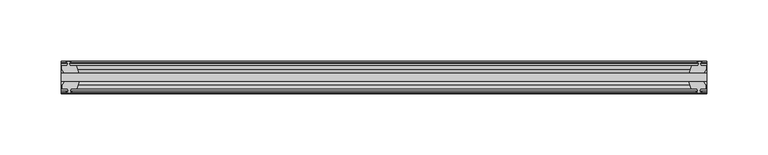
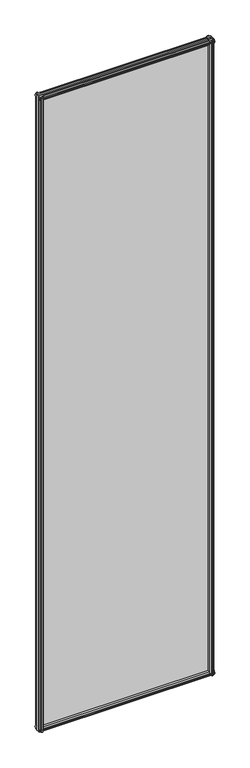
"""IFC4 building model written with IfcOpenShell, lengths in millimetres: plate geometry."""

from ifc_helpers import new_model, si_unit, frame, origin, place, context, project, spatial, polyline, outline, extrude, source, transform, mapped, element, save


def plate_e28883bd(model_context):
    return source(origin(), model_context, "Body", "SweptSolid", [
        extrude(outline(polyline([(-263.0357911, -19.5460937), (263.0357911, -19.5460937), (263.0357911, -25.8960937), (-263.0357911, -25.8960937), (-263.0357911, -19.5460937)])), frame((0.0, 0.0, -12.7), z_axis=(0.0, 0.0, 1.0), x_axis=(1.0, 0.0, 0.0)), (0.0, 0.0, 1.0), 2019.3),
        extrude(outline(polyline([(260.0610949, -25.8960937), (262.2737911, -29.2996938), (262.2737911, -32.2460938), (257.8287911, -32.2460938), (257.4477911, -34.6262907), (258.8633202, -34.1663575), (258.8633202, -34.9675717), (256.6857911, -35.6750938), (254.5082621, -34.9675717), (254.5082621, -34.1663575), (255.9237911, -34.6262907), (255.5427911, -32.2460938), (250.3357911, -32.2460938), (248.230514, -25.8960937), (260.0610949, -25.8960937)])), frame((0.0, 0.0, -12.7), z_axis=(0.0, 0.0, 1.0), x_axis=(1.0, 0.0, 0.0)), (0.0, 0.0, 1.0), 2019.3),
        extrude(outline(polyline([(255.0289621, -10.4746158), (257.2064911, -9.7670938), (259.3840202, -10.4746158), (259.3840202, -11.27583), (257.9684911, -10.8158968), (258.3494911, -13.1960938), (262.7944911, -13.1960938), (262.7944911, -16.1424938), (260.5817949, -19.5460937), (248.751214, -19.5460937), (250.8564911, -13.1960938), (256.0634911, -13.1960938), (256.4444911, -10.8158968), (255.0289621, -11.27583), (255.0289621, -10.4746158)])), frame((0.0, 0.0, -12.7), z_axis=(0.0, 0.0, 1.0), x_axis=(1.0, 0.0, 0.0)), (0.0, 0.0, 1.0), 2019.3),
        extrude(outline(polyline([(-248.230514, -25.8960937), (-250.3357911, -32.2460937), (-255.5427911, -32.2460937), (-255.9237911, -34.6262907), (-254.5082621, -34.1663575), (-254.5082621, -34.9675717), (-256.6857911, -35.6750937), (-258.8633202, -34.9675717), (-258.8633202, -34.1663575), (-257.4477911, -34.6262907), (-257.8287911, -32.2460937), (-262.2737911, -32.2460937), (-262.2737911, -29.2996937), (-260.0610949, -25.8960937), (-248.230514, -25.8960937)])), frame((0.0, 0.0, -12.7), z_axis=(0.0, 0.0, 1.0), x_axis=(1.0, 0.0, 0.0)), (0.0, 0.0, 1.0), 2019.3),
        extrude(outline(polyline([(-257.9684911, -10.8158968), (-259.3840202, -11.27583), (-259.3840202, -10.4746158), (-257.2064911, -9.7670937), (-255.0289621, -10.4746158), (-255.0289621, -11.27583), (-256.4444911, -10.8158968), (-256.0634911, -13.1960937), (-250.8564911, -13.1960937), (-248.751214, -19.5460937), (-260.5817949, -19.5460937), (-262.7944911, -16.1424937), (-262.7944911, -13.1960937), (-258.3494911, -13.1960937), (-257.9684911, -10.8158968)])), frame((0.0, 0.0, -12.7), z_axis=(0.0, 0.0, 1.0), x_axis=(1.0, 0.0, 0.0)), (0.0, 0.0, 1.0), 2019.3),
        extrude(outline(polyline([(-13.1960937, 2006.3587), (-13.1960937, 2001.9137), (-10.8158968, 2001.5327), (-11.27583, 2002.9482291), (-10.4746158, 2002.9482291), (-9.7670937, 2000.7707), (-10.4746158, 1998.5931709), (-11.27583, 1998.5931709), (-10.8158968, 2000.0087), (-13.1960937, 1999.6277), (-13.1960937, 1994.4207), (-19.5460937, 1992.3154229), (-19.5460937, 2004.1460038), (-16.1424937, 2006.3587), (-13.1960937, 2006.3587)])), frame((-263.0357911, 0.0, 0.0), z_axis=(1.0, 0.0, 0.0), x_axis=(0.0, 1.0, 0.0)), (0.0, 0.0, 1.0), 526.0715822),
        extrude(outline(polyline([(-29.2996937, 2005.838), (-25.8960937, 2003.6253038), (-25.8960937, 1991.7947229), (-32.2460937, 1993.9), (-32.2460937, 1999.107), (-34.6262907, 1999.488), (-34.1663575, 1998.072471), (-34.9675717, 1998.072471), (-35.6750937, 2000.25), (-34.9675717, 2002.4275291), (-34.1663575, 2002.4275291), (-34.6262907, 2001.012), (-32.2460937, 2001.393), (-32.2460937, 2005.838), (-29.2996937, 2005.838)])), frame((-263.0357911, 0.0, 0.0), z_axis=(1.0, 0.0, 0.0), x_axis=(0.0, 1.0, 0.0)), (0.0, 0.0, 1.0), 526.0715822),
        extrude(outline(polyline([(-25.8960937, 2.1052771), (-25.8960937, -9.7253038), (-29.2996937, -11.938), (-32.2460937, -11.938), (-32.2460937, -7.493), (-34.6262907, -7.112), (-34.1663575, -8.5275291), (-34.9675717, -8.5275291), (-35.6750937, -6.35), (-34.9675717, -4.1724709), (-34.1663575, -4.1724709), (-34.6262907, -5.588), (-32.2460937, -5.207), (-32.2460937, 0.0), (-25.8960937, 2.1052771)])), frame((-263.0357911, 0.0, 0.0), z_axis=(1.0, 0.0, 0.0), x_axis=(0.0, 1.0, 0.0)), (0.0, 0.0, 1.0), 526.0715822),
        extrude(outline(polyline([(-19.5460937, 1.5845771), (-13.1960937, -0.5207), (-13.1960937, -5.7277), (-10.8158968, -6.1087), (-11.27583, -4.6931709), (-10.4746158, -4.6931709), (-9.7670937, -6.8707), (-10.4746158, -9.048229), (-11.27583, -9.048229), (-10.8158968, -7.6327), (-13.1960937, -8.0137), (-13.1960937, -12.4587), (-16.1424937, -12.4587), (-19.5460937, -10.2460038), (-19.5460937, 1.5845771)])), frame((-263.0357911, 0.0, 0.0), z_axis=(1.0, 0.0, 0.0), x_axis=(0.0, 1.0, 0.0)), (0.0, 0.0, 1.0), 526.0715822),
    ])


if __name__ == "__main__":
    model = new_model("IFC4")
    model_context = context("Model", 3, world=origin())
    ifc_project = project(units=[si_unit("LENGTHUNIT", "METRE", prefix="MILLI")], contexts=[model_context])
    site = spatial("IfcSite", under=ifc_project)
    building = spatial("IfcBuilding", under=site)
    placement = place(None, origin())
    plate_shape = plate_e28883bd(model_context)
    element("IfcPlate", 1, at=placement, inside=building, context=model_context, shape_type="MappedRepresentation", body=[
        mapped(plate_shape, transform((0.0, 0.0, 0.0), x_axis=(1.0, 0.0, 0.0), y_axis=(0.0, 1.0, 0.0), z_axis=(0.0, 0.0, 1.0))),
    ])
    save(model, "model.ifc")
